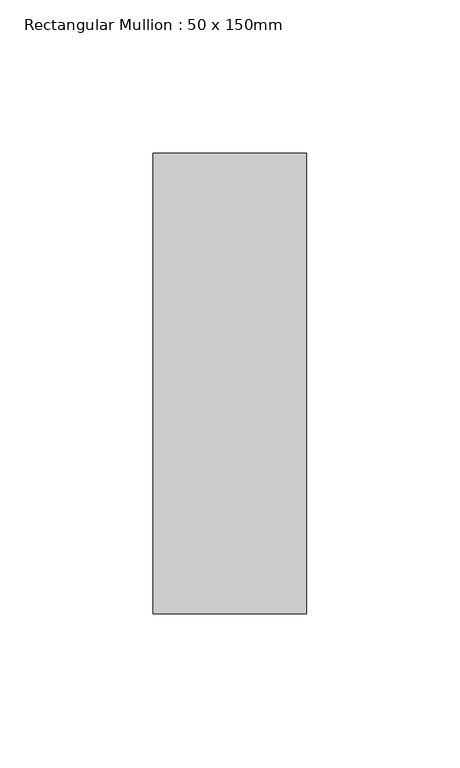
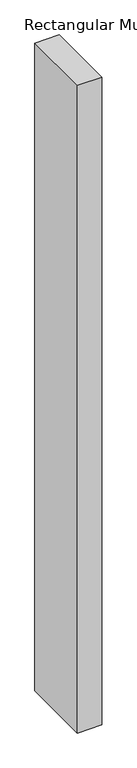
"""IFC4 building model written with IfcOpenShell, lengths in millimetres: member geometry, Rectangular Mullion : 50 x 150mm."""

from ifc_helpers import new_model, si_unit, frame, origin, place, context, project, spatial, polyline, outline, extrude, source, transform, mapped, element, save


def rectangular_mullion_50_x_150mm_5b84dda0(model_context):
    return source(origin(), model_context, "Body", "SweptSolid", [
        extrude(outline(polyline([(25.0, 75.0), (25.0, -75.0), (-25.0, -75.0), (-25.0, 75.0), (25.0, 75.0)])), frame((0.0, 0.0, -1394.4556665), z_axis=(0.0, 0.0, 1.0), x_axis=(1.0, 0.0, 0.0)), (0.0, 0.0, 1.0), 1394.4556665),
    ])


if __name__ == "__main__":
    model = new_model("IFC4")
    model_context = context("Model", 3, world=origin())
    ifc_project = project(units=[si_unit("LENGTHUNIT", "METRE", prefix="MILLI")], contexts=[model_context])
    site = spatial("IfcSite", under=ifc_project)
    building = spatial("IfcBuilding", under=site)
    placement = place(None, origin())
    rectangular_mullion_50_x_150mm_shape = rectangular_mullion_50_x_150mm_5b84dda0(model_context)
    element("IfcMember", 1, ObjectType="Rectangular Mullion : 50 x 150mm", at=placement, inside=building, context=model_context, shape_type="MappedRepresentation", body=[
        mapped(rectangular_mullion_50_x_150mm_shape, transform((0.0, 0.0, 0.0), x_axis=(1.0, 0.0, 0.0), y_axis=(0.0, 1.0, 0.0), z_axis=(0.0, 0.0, 1.0))),
    ])
    save(model, "model.ifc")
